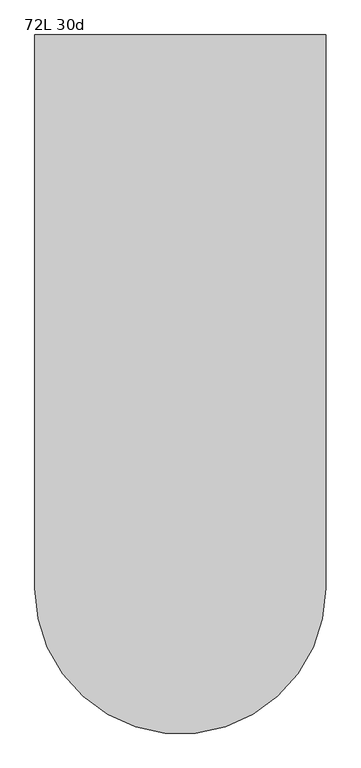
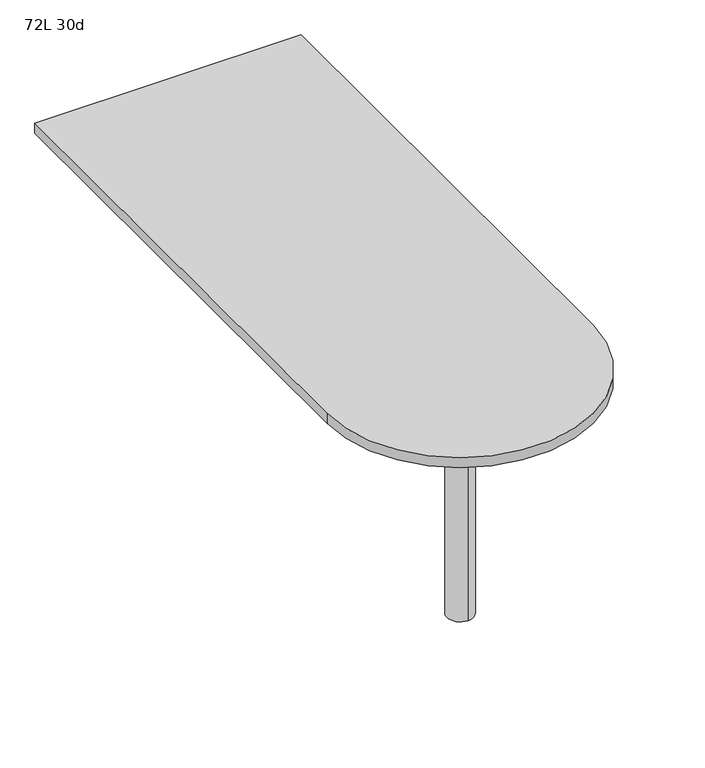
"""IFC4 building model written with IfcOpenShell, lengths in millimetres: furniture geometry, 72L 30d."""

from ifc_helpers import new_model, si_unit, point, frame, frame_2d, origin, place, context, project, spatial, polyline, circle_curve, trimmed, segment, composite_curve, outline, extrude, source, transform, mapped, element, save
from ifc_brep_helpers import plane_surface, cylinder_surface, advanced_brep


def furniture_72l_30d_aab37724(model_context):
    return source(origin(), model_context, "Body", "SolidModel", [
        advanced_brep(
        [(0.0, -495.3, 706.4375), (0.0, -571.5, 706.4375), (0.0, -533.4, 706.4375), (0.0, -495.3, 0.0), (0.0, -571.5, 0.0), (0.0, -533.4, 0.0)],
        [
            (0, 1, circle_curve(frame((0.0, -533.4, 706.4375), z_axis=(0.0, 0.0, 1.0), x_axis=(0.0, -1.0, 0.0)), 38.1)),
            (1, 2),
            (2, 0),
            (1, 0, circle_curve(frame((0.0, -533.4, 706.4375), z_axis=(0.0, 0.0, 1.0), x_axis=(0.0, -1.0, 0.0)), 38.1)),
            (3, 4, circle_curve(frame((0.0, -533.4, 0.0), z_axis=(0.0, 0.0, 1.0), x_axis=(0.0, -1.0, 0.0)), 38.1)),
            (4, 1),
            (0, 3),
            (4, 3, circle_curve(frame((0.0, -533.4, 0.0), z_axis=(0.0, 0.0, 1.0), x_axis=(0.0, -1.0, 0.0)), 38.1)),
            (5, 4),
            (3, 5),
        ],
        [
            plane_surface(frame((0.0, -533.4, 706.4375), z_axis=(0.0, 0.0, 1.0), x_axis=(0.0, -1.0, 0.0))),
            cylinder_surface(frame((0.0, -533.4, 889.623257), z_axis=(0.0, 0.0, -1.0), x_axis=(0.0, -1.0, 0.0)), 38.1),
            plane_surface(frame((0.0, -533.4, 0.0), z_axis=(0.0, 0.0, -1.0), x_axis=(0.0, -1.0, 0.0))),
        ],
        [
            (0, [[1, 2, 3]]),
            (0, [[4, -3, -2]]),
            (1, [[5, 6, -1, 7]]),
            (1, [[8, -7, -4, -6]]),
            (2, [[9, -5, 10]]),
            (2, [[-10, -8, -9]]),
        ],
    ),
        extrude(outline(composite_curve([segment(polyline([(-381.0, -533.4), (-381.0, 914.4), (381.0, 914.4), (381.0, -533.4)]), True, "CONTINUOUS"), segment(trimmed(circle_curve(frame_2d((0.0, -533.4)), 381.0), [point((381.0, -533.4))], [point((-381.0, -533.4))], False, "CARTESIAN"), True, "CONTINUOUS")], self_intersect=False)), frame((0.0, 0.0, 706.4375), z_axis=(0.0, 0.0, 1.0), x_axis=(1.0, 0.0, 0.0)), (0.0, 0.0, 1.0), 30.1625),
    ])


if __name__ == "__main__":
    model = new_model("IFC4")
    model_context = context("Model", 3, world=origin())
    ifc_project = project(units=[si_unit("LENGTHUNIT", "METRE", prefix="MILLI")], contexts=[model_context])
    site = spatial("IfcSite", under=ifc_project)
    building = spatial("IfcBuilding", under=site)
    placement = place(None, origin())
    furniture_72l_30d_shape = furniture_72l_30d_aab37724(model_context)
    element("IfcFurniture", 1, ObjectType="72L 30d", at=placement, inside=building, context=model_context, shape_type="MappedRepresentation", body=[
        mapped(furniture_72l_30d_shape, transform((0.0, 0.0, 0.0), x_axis=(1.0, 0.0, 0.0), y_axis=(0.0, 1.0, 0.0), z_axis=(0.0, 0.0, 1.0))),
    ])
    save(model, "model.ifc")
